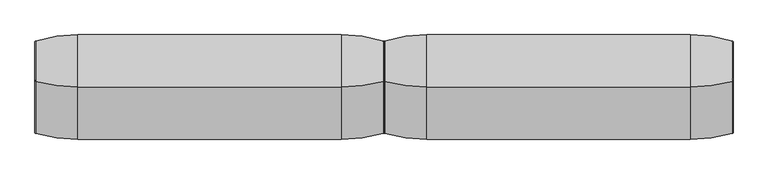
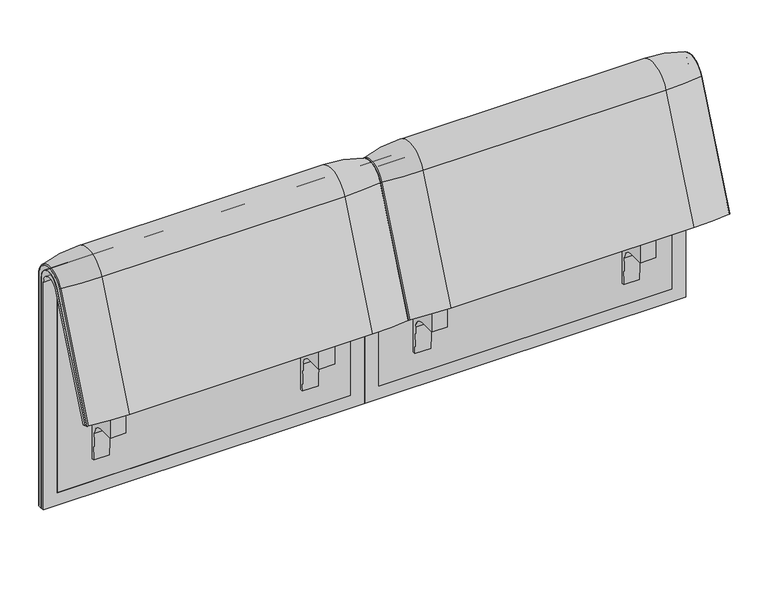
"""IFC4 building model written with IfcOpenShell, lengths in millimetres: furniture geometry."""

from ifc_helpers import new_model, si_unit, point, frame, frame_2d, origin, place, context, project, spatial, polyline, circle_curve, ellipse_curve, trimmed, segment, composite_curve, outline, extrude, source, transform, mapped, element, save
from ifc_brep_helpers import plane_surface, cylinder_surface, revolved_surface, advanced_brep


def furniture_7ffe4b6f(model_context):
    return source(origin(), model_context, "Body", "SolidModel", [
        advanced_brep(
        [(408.0071685, 351.0000061, 101.8476716), (408.0071685, 359.7858817, 101.8476716), (408.0071685, 359.7858817, 720.3417731), (408.0071685, 292.4403877, 733.7122262), (408.0071685, 170.1966807, 437.98305), (408.0071685, 175.0204081, 435.9866665), (408.0071685, 296.2458652, 723.9869215), (408.0071685, 351.0000061, 712.9272623), (-407.9740803, 351.0000061, 101.8476716), (-407.9740803, 351.0000061, 712.9272623), (-407.9740803, 296.2720241, 723.9759107), (-407.9740803, 175.0204081, 435.9866665), (-407.9740803, 170.1966807, 437.98305), (-407.9740803, 292.4403877, 733.7122262), (-407.9740803, 359.7858817, 720.3417731), (-407.9740803, 359.7858817, 101.8476716), (373.0906244, 292.4403877, 733.7122262), (373.0906244, 176.0980387, 452.25948), (-373.0906244, 176.0980387, 452.25948), (-373.0906244, 292.4403877, 733.7122262), (-373.0906244, 296.2458652, 723.9869215), (-373.0906244, 181.0136548, 450.2250668), (373.0906244, 181.0136548, 450.2250668), (373.0906244, 296.2458652, 723.9869215), (373.0906244, 351.0000061, 712.9272623), (373.0906244, 351.0000061, 135.3766997), (-373.0906244, 351.0000061, 135.3766997), (-373.0906244, 351.0000061, 712.9272623), (-373.0906244, 359.7858817, 720.3417731), (-373.0906244, 359.7858817, 135.3766997), (373.0906244, 359.7858817, 135.3766997), (373.0906244, 359.7858817, 720.3417731)],
        [
            (0, 1),
            (1, 2),
            (2, 3, circle_curve(frame((408.0071685, 324.7858817, 720.3417731), z_axis=(1.0, 0.0, 0.0), x_axis=(0.0, -1.0, 0.0)), 35.0)),
            (3, 4),
            (4, 5),
            (5, 6),
            (6, 7, circle_curve(frame((408.0071685, 322.520748, 712.9272623), z_axis=(-1.0, 0.0, 0.0), x_axis=(0.0, -1.0, 0.0)), 28.479258)),
            (7, 0),
            (8, 9),
            (9, 10, circle_curve(frame((-407.9740803, 322.520748, 712.9272623), z_axis=(1.0, 0.0, 0.0), x_axis=(0.0, -1.0, 0.0)), 28.479258)),
            (10, 11),
            (11, 12),
            (12, 13),
            (13, 14, circle_curve(frame((-407.9740803, 324.7858817, 720.3417731), z_axis=(-1.0, 0.0, 0.0), x_axis=(0.0, -1.0, 0.0)), 35.0)),
            (14, 15),
            (15, 8),
            (3, 16),
            (16, 17),
            (17, 18),
            (18, 19),
            (19, 13),
            (12, 4),
            (11, 5),
            (10, 20),
            (20, 21),
            (21, 22),
            (22, 23),
            (23, 6),
            (7, 24),
            (24, 25),
            (25, 26),
            (26, 27),
            (27, 9),
            (8, 0),
            (15, 1),
            (14, 28),
            (28, 29),
            (29, 30),
            (30, 31),
            (31, 2),
            (31, 16, circle_curve(frame((373.0906244, 324.7858817, 720.3417731), z_axis=(1.0, 0.0, 0.0), x_axis=(0.0, -1.0, 0.0)), 35.0)),
            (19, 28, circle_curve(frame((-373.0906244, 324.7858817, 720.3417731), z_axis=(-1.0, 0.0, 0.0), x_axis=(0.0, -1.0, 0.0)), 35.0)),
            (23, 24, circle_curve(frame((373.0906244, 322.520748, 712.9272623), z_axis=(-1.0, 0.0, 0.0), x_axis=(0.0, -1.0, 0.0)), 28.479258)),
            (27, 20, circle_curve(frame((-373.0906244, 322.520748, 712.9272623), z_axis=(1.0, 0.0, 0.0), x_axis=(0.0, -1.0, 0.0)), 28.479258)),
            (22, 17),
            (30, 25),
            (26, 29),
            (18, 21),
        ],
        [
            plane_surface(frame((408.0071685, 359.7858817, 101.8476716), z_axis=(1.0, 0.0, 0.0), x_axis=(0.0, 1.0, 0.0))),
            plane_surface(frame((-407.9740803, 359.7858817, 101.8476716), z_axis=(-1.0, 0.0, 0.0), x_axis=(0.0, -1.0, 0.0))),
            plane_surface(frame((408.0071685, 292.4403877, 733.7122262), z_axis=(0.0, -0.9241569717933176, 0.3820129467515535), x_axis=(-1.0, 0.0, 0.0))),
            plane_surface(frame((408.0071685, 170.1966807, 437.98305), z_axis=(0.0, -0.38241039441983893, -0.9239925812687368), x_axis=(-1.0, 0.0, 0.0))),
            plane_surface(frame((408.0071685, 175.0204081, 435.9866665), z_axis=(0.0, 0.921678643444566, -0.3879542218073993), x_axis=(-1.0, 0.0, 0.0))),
            plane_surface(frame((408.0071685, 351.0000061, 712.9272623), z_axis=(0.0, -1.0, 0.0), x_axis=(-1.0, 0.0, 0.0))),
            plane_surface(frame((408.0071685, 351.0000061, 101.8476716), z_axis=(0.0, 0.0, -1.0), x_axis=(-1.0, 0.0, 0.0))),
            plane_surface(frame((408.0071685, 359.7858817, 101.8476716), z_axis=(0.0, 1.0, 0.0), x_axis=(-1.0, 0.0, 0.0))),
            cylinder_surface(frame((-407.9740803, 324.7858817, 720.3417731), z_axis=(1.0, 0.0, 0.0), x_axis=(0.0, -1.0, 0.0)), 35.0),
            revolved_surface(polyline([(373.09062439999997, 294.04149, 712.9272623), (408.0071685, 294.04149, 712.9272623)]), (-407.9740803, 322.520748, 712.9272623), (-1.0, 0.0, 0.0)),
            revolved_surface(polyline([(-407.9740803, 294.04149, 712.9272623), (-373.0906244, 294.04149, 712.9272623)]), (-407.9740803, 322.520748, 712.9272623), (-1.0, 0.0, 0.0)),
            plane_surface(frame((373.0906244, 359.7858817, 135.3766997), z_axis=(-1.0, 0.0, 0.0), x_axis=(0.0, 1.0, 0.0))),
            plane_surface(frame((-373.0906244, 359.7858817, 135.3766997), z_axis=(1.0, 0.0, 0.0), x_axis=(0.0, -1.0, 0.0))),
            plane_surface(frame((373.0906244, 166.9120641, 456.0612553), z_axis=(0.0, 0.38241039441982605, 0.9239925812687422), x_axis=(-1.0, 0.0, 0.0))),
            plane_surface(frame((373.0906244, 344.7858817, 135.3766997), z_axis=(0.0, 0.0, 1.0), x_axis=(-1.0, 0.0, 0.0))),
        ],
        [
            (0, [[1, 2, 3, 4, 5, 6, 7, 8]]),
            (1, [[9, 10, 11, 12, 13, 14, 15, 16]]),
            (2, [[-4, 17, 18, 19, 20, 21, -13, 22]]),
            (3, [[-5, -22, -12, 23]]),
            (4, [[-6, -23, -11, 24, 25, 26, 27, 28]]),
            (5, [[-8, 29, 30, 31, 32, 33, -9, 34]]),
            (6, [[-1, -34, -16, 35]]),
            (7, [[-2, -35, -15, 36, 37, 38, 39, 40]]),
            (8, [[-3, -40, 41, -17]]),
            (8, [[-14, -21, 42, -36]]),
            (9, [[-7, -28, 43, -29]]),
            (10, [[-10, -33, 44, -24]]),
            (11, [[45, -18, -41, -39, 46, -30, -43, -27]]),
            (12, [[47, -37, -42, -20, 48, -25, -44, -32]]),
            (13, [[-45, -26, -48, -19]]),
            (14, [[-46, -38, -47, -31]]),
        ],
    ),
        advanced_brep(
        [(373.0906244, 351.0000061, 135.3766997), (373.0906244, 359.7858817, 135.3766997), (373.0906244, 359.7858817, 720.3417731), (373.0906244, 292.4403877, 733.7122262), (373.0906244, 176.0980387, 452.25948), (373.0906244, 181.0136548, 450.2250668), (373.0906244, 296.2458652, 723.9869215), (373.0906244, 351.0000061, 712.9272623), (-373.0906244, 351.0000061, 135.3766997), (-373.0906244, 351.0000061, 712.9272623), (-373.0906244, 296.2720241, 723.9759107), (-373.0906244, 181.0136548, 450.2250668), (-373.0906244, 176.0980387, 452.25948), (-373.0906244, 292.4403877, 733.7122262), (-373.0906244, 359.7858817, 720.3417731), (-373.0906244, 359.7858817, 135.3766997)],
        [
            (0, 1),
            (1, 2),
            (2, 3, circle_curve(frame((373.0906244, 324.7858817, 720.3417731), z_axis=(1.0, 0.0, 0.0), x_axis=(0.0, -1.0, 0.0)), 35.0)),
            (3, 4),
            (4, 5),
            (5, 6),
            (6, 7, circle_curve(frame((373.0906244, 322.520748, 712.9272623), z_axis=(-1.0, 0.0, 0.0), x_axis=(0.0, -1.0, 0.0)), 28.479258)),
            (7, 0),
            (8, 9),
            (9, 10, circle_curve(frame((-373.0906244, 322.520748, 712.9272623), z_axis=(1.0, 0.0, 0.0), x_axis=(0.0, -1.0, 0.0)), 28.479258)),
            (10, 11),
            (11, 12),
            (12, 13),
            (13, 14, circle_curve(frame((-373.0906244, 324.7858817, 720.3417731), z_axis=(-1.0, 0.0, 0.0), x_axis=(0.0, -1.0, 0.0)), 35.0)),
            (14, 15),
            (15, 8),
            (3, 13),
            (12, 4),
            (11, 5),
            (10, 6),
            (7, 9),
            (8, 0),
            (15, 1),
            (14, 2),
        ],
        [
            plane_surface(frame((373.0906244, 359.7858817, 135.3766997), z_axis=(1.0, 0.0, 0.0), x_axis=(0.0, 1.0, 0.0))),
            plane_surface(frame((-373.0906244, 359.7858817, 135.3766997), z_axis=(-1.0, 0.0, 0.0), x_axis=(0.0, -1.0, 0.0))),
            plane_surface(frame((373.0906244, 292.4403877, 733.7122262), z_axis=(0.0, -0.9241569717933176, 0.3820129467515535), x_axis=(-1.0, 0.0, 0.0))),
            plane_surface(frame((373.0906244, 176.0980387, 452.25948), z_axis=(0.0, -0.38241039441982716, -0.9239925812687417), x_axis=(-1.0, 0.0, 0.0))),
            plane_surface(frame((373.0906244, 181.0136548, 450.2250668), z_axis=(0.0, 0.921678643444566, -0.3879542218073993), x_axis=(-1.0, 0.0, 0.0))),
            plane_surface(frame((373.0906244, 351.0000061, 712.9272623), z_axis=(0.0, -1.0, 0.0), x_axis=(-1.0, 0.0, 0.0))),
            plane_surface(frame((373.0906244, 351.0000061, 135.3766997), z_axis=(0.0, 0.0, -1.0), x_axis=(-1.0, 0.0, 0.0))),
            plane_surface(frame((373.0906244, 359.7858817, 135.3766997), z_axis=(0.0, 1.0, 0.0), x_axis=(-1.0, 0.0, 0.0))),
            cylinder_surface(frame((-373.0906244, 324.7858817, 720.3417731), z_axis=(1.0, 0.0, 0.0), x_axis=(0.0, -1.0, 0.0)), 35.0),
            revolved_surface(polyline([(-373.0906244, 294.04149, 712.9272623), (373.0906244, 294.04149, 712.9272623)]), (-373.0906244, 322.520748, 712.9272623), (-1.0, 0.0, 0.0)),
        ],
        [
            (0, [[1, 2, 3, 4, 5, 6, 7, 8]]),
            (1, [[9, 10, 11, 12, 13, 14, 15, 16]]),
            (2, [[-4, 17, -13, 18]]),
            (3, [[-5, -18, -12, 19]]),
            (4, [[-6, -19, -11, 20]]),
            (5, [[-8, 21, -9, 22]]),
            (6, [[-1, -22, -16, 23]]),
            (7, [[-2, -23, -15, 24]]),
            (8, [[-3, -24, -14, -17]]),
            (9, [[-7, -20, -10, -21]]),
        ],
    ),
        extrude(outline(composite_curve([segment(trimmed(circle_curve(frame_2d((305.0000061, 379.9223263)), 30.0), [point((305.0000061, 349.9223263))], [point((335.0000061, 379.9223263))], True, "CARTESIAN"), True, "CONTINUOUS"), segment(polyline([(335.0000061, 379.9223263), (335.0000061, 515.0657595)]), True, "CONTINUOUS"), segment(trimmed(circle_curve(frame_2d((305.0000061, 515.0657595)), 30.0), [point((335.0000061, 515.0657595))], [point((316.7219399, 542.6809051))], True, "CARTESIAN"), True, "CONTINUOUS"), segment(polyline([(316.7219399, 542.6809051), (257.4911714, 567.8228747)]), True, "CONTINUOUS"), segment(trimmed(circle_curve(frame_2d((251.6302045, 554.0153019)), 15.0), [point((257.4911714, 567.8228747))], [point((238.0355877, 560.3545758))], True, "CARTESIAN"), True, "CONTINUOUS"), segment(polyline([(238.0355877, 560.3545758), (222.2725218, 526.5505721), (213.7507451, 529.5682915), (296.3054528, 724.0549949)]), True, "CONTINUOUS"), segment(trimmed(circle_curve(frame_2d((322.520748, 712.9272623)), 28.479258), [point((296.3054528, 724.0549949))], [point((351.0000061, 712.9272623))], False, "CARTESIAN"), True, "CONTINUOUS"), segment(polyline([(351.0000061, 712.9272623), (351.0000061, 197.0551771), (343.3075759, 197.0551771), (339.4064861, 271.492405)]), True, "CONTINUOUS"), segment(trimmed(circle_curve(frame_2d((309.4476, 269.9223263)), 30.0), [point((339.4064861, 271.492405))], [point((309.4476, 299.9223263))], True, "CARTESIAN"), True, "CONTINUOUS"), segment(polyline([(309.4476, 299.9223263), (270.0000061, 299.9223263), (270.0000061, 359.9223263), (275.0000061, 359.9223263)]), True, "CONTINUOUS"), segment(trimmed(circle_curve(frame_2d((285.0000061, 359.9223263)), 10.0), [point((275.0000061, 359.9223263))], [point((285.0000061, 349.9223263))], True, "CARTESIAN"), True, "CONTINUOUS"), segment(polyline([(285.0000061, 349.9223263), (305.0000061, 349.9223263)]), True, "CONTINUOUS")], self_intersect=False), holes=[composite_curve([segment(polyline([(337.5000061, 576.3274105), (337.5000061, 716.7072663)]), True, "CONTINUOUS"), segment(trimmed(circle_curve(frame_2d((322.5000061, 716.7072663)), 15.0), [point((337.5000061, 716.7072663))], [point((308.9053893, 723.0465402))], True, "CARTESIAN"), True, "CONTINUOUS"), segment(polyline([(308.9053893, 723.0465402), (253.6256191, 604.4986904)]), True, "CONTINUOUS"), segment(trimmed(circle_curve(frame_2d((271.7517748, 596.0463251)), 20.0), [point((253.6256191, 604.4986904))], [point((265.0756376, 577.1934953))], True, "CARTESIAN"), True, "CONTINUOUS"), segment(polyline([(265.0756376, 577.1934953), (314.1406626, 559.8186587)]), True, "CONTINUOUS"), segment(trimmed(circle_curve(frame_2d((319.9867182, 576.3274105)), 17.5132879), [point((314.1406626, 559.8186587))], [point((337.5000061, 576.3274105))], True, "CARTESIAN"), True, "CONTINUOUS")], self_intersect=False)]), frame((244.9947968, 0.0, 0.0), z_axis=(1.0, 0.0, 0.0), x_axis=(0.0, 1.0, 0.0)), (0.0, 0.0, 1.0), 40.0),
        advanced_brep(
        [(308.0071685, 388.2902376, 100.5089435), (405.86854, 373.93893, 100.5089435), (408.0071685, 371.0652495, 100.5089435), (408.0071685, 359.7858817, 100.5089435), (-408.0071685, 359.7858817, 100.5089435), (-408.0071685, 371.0652495, 100.5089435), (-405.86854, 373.93893, 100.5089435), (-308.0071685, 388.2902376, 100.5089435), (-308.0071685, 388.2902376, 720.3417731), (308.0071685, 388.2902376, 720.3417731), (405.86854, 373.93893, 720.3417731), (408.0071685, 371.0652495, 720.3417731), (408.0071685, 282.0164812, 738.0210907), (408.0071685, 159.7723383, 442.2908598), (408.0071685, 170.1962447, 437.9819952), (408.0071685, 292.4403877, 733.7122262), (408.0071685, 359.7858817, 720.3417731), (-408.0071685, 359.7858817, 720.3417731), (308.0071685, 143.8537454, 448.8710282), (-308.0071685, 143.8537454, 448.8710282), (-405.86854, 157.1166065, 443.3886429), (-408.0071685, 159.7723383, 442.2908598), (-408.0071685, 170.1962447, 437.9819952), (405.86854, 157.1166065, 443.3886429), (308.0071685, 266.0978884, 744.6012592), (-308.0071685, 266.0978884, 744.6012592), (405.86854, 279.3607494, 739.1188739), (-408.0071685, 292.4403877, 733.7122262), (-408.0071685, 282.0164812, 738.0210907), (-408.0071685, 371.0652495, 720.3417731), (-405.86854, 373.93893, 720.3417731), (-405.86854, 279.3607494, 739.1188739)],
        [
            (0, 1, circle_curve(frame((308.0071685, 47.4569043, 100.5089435), z_axis=(0.0, 0.0, -1.0), x_axis=(0.0, -1.0, 0.0)), 340.8333333)),
            (1, 2, circle_curve(frame((405.0071685, 371.0652495, 100.5089435), z_axis=(0.0, 0.0, -1.0), x_axis=(1.0, 0.0, 0.0)), 3.0)),
            (2, 3),
            (3, 4),
            (4, 5),
            (5, 6, circle_curve(frame((-405.0071685, 371.0652495, 100.5089435), z_axis=(0.0, 0.0, -1.0), x_axis=(-1.0, 0.0, 0.0)), 3.0)),
            (6, 7, circle_curve(frame((-308.0071685, 47.4569043, 100.5089435), z_axis=(0.0, 0.0, -1.0), x_axis=(0.0, -1.0, 0.0)), 340.8333333)),
            (7, 0),
            (7, 8),
            (8, 9),
            (9, 0),
            (9, 10, circle_curve(frame((308.0071685, 47.4569043, 720.3417731), z_axis=(0.0, 0.0, -1.0), x_axis=(0.0, -1.0, 0.0)), 340.8333333)),
            (10, 1),
            (10, 11, circle_curve(frame((405.0071685, 371.0652495, 720.3417731), z_axis=(0.0, 0.0, -1.0), x_axis=(1.0, 0.0, 0.0)), 3.0)),
            (11, 2),
            (11, 12, circle_curve(frame((408.0071685, 324.7858817, 720.3417731), z_axis=(1.0, 0.0, 0.0), x_axis=(0.0, 1.0, 0.0)), 46.2793679)),
            (12, 13),
            (13, 14),
            (14, 15),
            (15, 16, circle_curve(frame((408.0071685, 324.7858817, 720.3417731), z_axis=(-1.0, 0.0, 0.0), x_axis=(0.0, 1.0, 0.0)), 35.0)),
            (16, 3),
            (16, 17),
            (17, 4),
            (18, 19),
            (19, 20, circle_curve(frame((-308.0071685, 458.8372467, 318.6682822), z_axis=(0.0, -0.38201294675155345, -0.9241569717933176), x_axis=(0.0, 0.9241569717933176, -0.38201294675155345)), 340.8333333)),
            (20, 21, circle_curve(frame((-405.0071685, 159.7723383, 442.2908598), z_axis=(0.0, -0.38201294675155345, -0.9241569717933176), x_axis=(-1.0, 0.0, 0.0)), 3.0)),
            (21, 22),
            (22, 14),
            (13, 23, circle_curve(frame((405.0071685, 159.7723383, 442.2908598), z_axis=(0.0, -0.38201294675155345, -0.9241569717933176), x_axis=(1.0, 0.0, 0.0)), 3.0)),
            (23, 18, circle_curve(frame((308.0071685, 458.8372467, 318.6682822), z_axis=(0.0, -0.38201294675155345, -0.9241569717933176), x_axis=(0.0, 0.9241569717933176, -0.38201294675155345)), 340.8333333)),
            (24, 9, circle_curve(frame((308.0071685, 324.7858817, 720.3417731), z_axis=(-1.0, 0.0, 0.0), x_axis=(0.0, 1.0, 0.0)), 63.5043559)),
            (8, 25, circle_curve(frame((-308.0071685, 324.7858817, 720.3417731), z_axis=(1.0, 0.0, 0.0), x_axis=(0.0, 1.0, 0.0)), 63.5043559)),
            (25, 24),
            (26, 10, circle_curve(frame((405.86854, 324.7858817, 720.3417731), z_axis=(-1.0, 0.0, 0.0), x_axis=(0.0, 1.0, 0.0)), 49.1530483)),
            (24, 26, circle_curve(frame((308.0071685, 581.0813896, 614.3985132), z_axis=(0.0, 0.382012946751556, 0.9241569717933165), x_axis=(0.0, 0.9241569717933165, -0.382012946751556)), 340.8333333)),
            (26, 12, circle_curve(frame((405.0071685, 282.0164812, 738.0210907), z_axis=(0.0, 0.3820129467515552, 0.9241569717933168), x_axis=(1.0, 0.0, 0.0)), 3.0)),
            (27, 17, circle_curve(frame((-408.0071685, 324.7858817, 720.3417731), z_axis=(-1.0, 0.0, 0.0), x_axis=(0.0, 1.0, 0.0)), 35.0)),
            (15, 27),
            (25, 19),
            (18, 24),
            (23, 26),
            (22, 27),
            (21, 28),
            (28, 29, circle_curve(frame((-408.0071685, 324.7858817, 720.3417731), z_axis=(-1.0, 0.0, 0.0), x_axis=(0.0, 1.0, 0.0)), 46.2793679)),
            (29, 5),
            (29, 30, circle_curve(frame((-405.0071685, 371.0652495, 720.3417731), z_axis=(0.0, 0.0, -1.0), x_axis=(-1.0, 0.0, 0.0)), 3.0)),
            (30, 6),
            (30, 8, circle_curve(frame((-308.0071685, 47.4569043, 720.3417731), z_axis=(0.0, 0.0, -1.0), x_axis=(0.0, -1.0, 0.0)), 340.8333333)),
            (31, 30, circle_curve(frame((-405.86854, 324.7858817, 720.3417731), z_axis=(-1.0, 0.0, 0.0), x_axis=(0.0, 1.0, 0.0)), 49.1530483)),
            (28, 31, circle_curve(frame((-405.0071685, 282.0164812, 738.0210907), z_axis=(0.0, 0.3820129467515544, 0.9241569717933172), x_axis=(-1.0, 0.0, 0.0)), 3.0)),
            (31, 25, circle_curve(frame((-308.0071685, 581.0813896, 614.3985132), z_axis=(0.0, 0.3820129467515532, 0.9241569717933177), x_axis=(0.0, 0.9241569717933177, -0.3820129467515532)), 340.8333333)),
            (20, 31),
        ],
        [
            plane_surface(frame((4.7650232, 359.7858817, 100.5089435), z_axis=(0.0, 0.0, -1.0), x_axis=(1.0, 0.0, 0.0))),
            plane_surface(frame((-308.0071685, 388.2902376, 100.5089435), z_axis=(0.0, 1.0, 0.0), x_axis=(0.0, 0.0, 1.0))),
            cylinder_surface(frame((308.0071685, 47.4569043, 100.5089435), z_axis=(0.0, 0.0, -1.0), x_axis=(0.0, -1.0, 0.0)), 340.8333333),
            cylinder_surface(frame((405.0071685, 371.0652495, 100.5089435), z_axis=(0.0, 0.0, -1.0), x_axis=(1.0, 0.0, 0.0)), 3.0),
            plane_surface(frame((408.0071685, 371.0652495, 100.5089435), z_axis=(1.0, 0.0, 0.0), x_axis=(0.0, 0.0, 1.0))),
            plane_surface(frame((408.0071685, 359.7858817, 100.5089435), z_axis=(0.0, -1.0, 0.0), x_axis=(0.0, 0.0, 1.0))),
            plane_surface(frame((4.7650232, 170.1962447, 437.9819952), z_axis=(0.0, -0.38201294675155345, -0.9241569717933176), x_axis=(1.0, 0.0, 0.0))),
            cylinder_surface(frame((4.7650232, 324.7858817, 720.3417731), z_axis=(1.0, 0.0, 0.0), x_axis=(0.0, 1.0, 0.0)), 63.5043559),
            revolved_surface(trimmed(ellipse_curve(frame((308.0071685, 47.4569043, 720.3417731), z_axis=(0.0, 0.0, -1.0), x_axis=(0.0, -1.0, 0.0)), 340.8333333, 340.8333333), [point((308.0071685, 388.2902376, 720.3417731))], [point((405.86854, 373.93893, 720.3417731))], True, "CARTESIAN"), (4.7650232, 324.7858817, 720.3417731), (1.0, 0.0, 0.0)),
            revolved_surface(trimmed(ellipse_curve(frame((405.0071685, 371.0652495, 720.3417731), z_axis=(0.0, 0.0, -1.0), x_axis=(1.0, 0.0, 0.0)), 3.0, 3.0), [point((405.86854, 373.93893, 720.3417731))], [point((408.0071685, 371.0652495, 720.3417731))], True, "CARTESIAN"), (4.7650232, 324.7858817, 720.3417731), (1.0, 0.0, 0.0)),
            revolved_surface(polyline([(408.0071685, 359.7858817, 720.3417731), (-408.0071685, 359.7858817, 720.3417731)]), (4.7650232, 324.7858817, 720.3417731), (1.0, 0.0, 0.0)),
            plane_surface(frame((-308.0071685, 266.0978884, 744.6012592), z_axis=(0.0, -0.9241569717933176, 0.38201294675155356), x_axis=(0.0, -0.38201294675155356, -0.9241569717933176))),
            cylinder_surface(frame((308.0071685, 581.0813896, 614.3985132), z_axis=(0.0, 0.38201294675155345, 0.9241569717933176), x_axis=(0.0, 0.9241569717933176, -0.38201294675155345)), 340.8333333),
            cylinder_surface(frame((405.0071685, 282.0164812, 738.0210907), z_axis=(0.0, 0.38201294675155345, 0.9241569717933176), x_axis=(1.0, 0.0, 0.0)), 3.0),
            plane_surface(frame((408.0071685, 292.4403877, 733.7122262), z_axis=(0.0, 0.9241569717933176, -0.38201294675155356), x_axis=(0.0, -0.38201294675155356, -0.9241569717933176))),
            plane_surface(frame((-408.0071685, 359.7858817, 100.5089435), z_axis=(-1.0, 0.0, 0.0), x_axis=(0.0, 0.0, 1.0))),
            cylinder_surface(frame((-405.0071685, 371.0652495, 100.5089435), z_axis=(0.0, 0.0, -1.0), x_axis=(-1.0, 0.0, 0.0)), 3.0),
            cylinder_surface(frame((-308.0071685, 47.4569043, 100.5089435), z_axis=(0.0, 0.0, -1.0), x_axis=(0.0, -1.0, 0.0)), 340.8333333),
            revolved_surface(trimmed(ellipse_curve(frame((-405.0071685, 371.0652495, 720.3417731), z_axis=(0.0, 0.0, -1.0), x_axis=(-1.0, 0.0, 0.0)), 3.0, 3.0), [point((-408.0071685, 371.0652495, 720.3417731))], [point((-405.86854, 373.93893, 720.3417731))], True, "CARTESIAN"), (4.7650232, 324.7858817, 720.3417731), (1.0, 0.0, 0.0)),
            revolved_surface(trimmed(ellipse_curve(frame((-308.0071685, 47.4569043, 720.3417731), z_axis=(0.0, 0.0, -1.0), x_axis=(0.0, -1.0, 0.0)), 340.8333333, 340.8333333), [point((-405.86854, 373.93893, 720.3417731))], [point((-308.0071685, 388.2902376, 720.3417731))], True, "CARTESIAN"), (4.7650232, 324.7858817, 720.3417731), (1.0, 0.0, 0.0)),
            cylinder_surface(frame((-405.0071685, 282.0164812, 738.0210907), z_axis=(0.0, 0.38201294675155345, 0.9241569717933176), x_axis=(-1.0, 0.0, 0.0)), 3.0),
            cylinder_surface(frame((-308.0071685, 581.0813896, 614.3985132), z_axis=(0.0, 0.38201294675155345, 0.9241569717933176), x_axis=(0.0, 0.9241569717933176, -0.38201294675155345)), 340.8333333),
        ],
        [
            (0, [[1, 2, 3, 4, 5, 6, 7, 8]]),
            (1, [[-8, 9, 10, 11]]),
            (2, [[-1, -11, 12, 13]]),
            (3, [[-2, -13, 14, 15]]),
            (4, [[-3, -15, 16, 17, 18, 19, 20, 21]]),
            (5, [[-4, -21, 22, 23]]),
            (6, [[24, 25, 26, 27, 28, -18, 29, 30]]),
            (7, [[31, -10, 32, 33]]),
            (8, [[34, -12, -31, 35]]),
            (9, [[-16, -14, -34, 36]]),
            (10, [[37, -22, -20, 38]]),
            (11, [[-33, 39, -24, 40]]),
            (12, [[-35, -40, -30, 41]]),
            (13, [[-36, -41, -29, -17]]),
            (14, [[-38, -19, -28, 42]]),
            (15, [[-5, -23, -37, -42, -27, 43, 44, 45]]),
            (16, [[-6, -45, 46, 47]]),
            (17, [[-7, -47, 48, -9]]),
            (18, [[49, -46, -44, 50]]),
            (19, [[-32, -48, -49, 51]]),
            (20, [[-50, -43, -26, 52]]),
            (21, [[-51, -52, -25, -39]]),
        ],
    ),
        extrude(outline(composite_curve([segment(trimmed(circle_curve(frame_2d((305.0000061, 379.9223263)), 30.0), [point((305.0000061, 349.9223263))], [point((335.0000061, 379.9223263))], True, "CARTESIAN"), True, "CONTINUOUS"), segment(polyline([(335.0000061, 379.9223263), (335.0000061, 515.0657595)]), True, "CONTINUOUS"), segment(trimmed(circle_curve(frame_2d((305.0000061, 515.0657595)), 30.0), [point((335.0000061, 515.0657595))], [point((316.7219399, 542.6809051))], True, "CARTESIAN"), True, "CONTINUOUS"), segment(polyline([(316.7219399, 542.6809051), (257.4911714, 567.8228747)]), True, "CONTINUOUS"), segment(trimmed(circle_curve(frame_2d((251.6302045, 554.0153019)), 15.0), [point((257.4911714, 567.8228747))], [point((238.0355877, 560.3545758))], True, "CARTESIAN"), True, "CONTINUOUS"), segment(polyline([(238.0355877, 560.3545758), (222.2725218, 526.5505721), (213.7507451, 529.5682915), (296.3054528, 724.0549949)]), True, "CONTINUOUS"), segment(trimmed(circle_curve(frame_2d((322.520748, 712.9272623)), 28.479258), [point((296.3054528, 724.0549949))], [point((351.0000061, 712.9272623))], False, "CARTESIAN"), True, "CONTINUOUS"), segment(polyline([(351.0000061, 712.9272623), (351.0000061, 197.0551771), (343.3075759, 197.0551771), (339.4064861, 271.492405)]), True, "CONTINUOUS"), segment(trimmed(circle_curve(frame_2d((309.4476, 269.9223263)), 30.0), [point((339.4064861, 271.492405))], [point((309.4476, 299.9223263))], True, "CARTESIAN"), True, "CONTINUOUS"), segment(polyline([(309.4476, 299.9223263), (270.0000061, 299.9223263), (270.0000061, 359.9223263), (275.0000061, 359.9223263)]), True, "CONTINUOUS"), segment(trimmed(circle_curve(frame_2d((285.0000061, 359.9223263)), 10.0), [point((275.0000061, 359.9223263))], [point((285.0000061, 349.9223263))], True, "CARTESIAN"), True, "CONTINUOUS"), segment(polyline([(285.0000061, 349.9223263), (305.0000061, 349.9223263)]), True, "CONTINUOUS")], self_intersect=False), holes=[composite_curve([segment(polyline([(337.5000061, 576.3274105), (337.5000061, 716.7072663)]), True, "CONTINUOUS"), segment(trimmed(circle_curve(frame_2d((322.5000061, 716.7072663)), 15.0), [point((337.5000061, 716.7072663))], [point((308.9053893, 723.0465402))], True, "CARTESIAN"), True, "CONTINUOUS"), segment(polyline([(308.9053893, 723.0465402), (253.6256191, 604.4986904)]), True, "CONTINUOUS"), segment(trimmed(circle_curve(frame_2d((271.7517748, 596.0463251)), 20.0), [point((253.6256191, 604.4986904))], [point((265.0756376, 577.1934953))], True, "CARTESIAN"), True, "CONTINUOUS"), segment(polyline([(265.0756376, 577.1934953), (314.1406626, 559.8186587)]), True, "CONTINUOUS"), segment(trimmed(circle_curve(frame_2d((319.9867182, 576.3274105)), 17.5132879), [point((314.1406626, 559.8186587))], [point((337.5000061, 576.3274105))], True, "CARTESIAN"), True, "CONTINUOUS")], self_intersect=False)]), frame((-284.9947968, 0.0, 0.0), z_axis=(1.0, 0.0, 0.0), x_axis=(0.0, 1.0, 0.0)), (0.0, 0.0, 1.0), 40.0),
        advanced_brep(
        [(-407.9740803, 351.0000061, 101.8476716), (-407.9740803, 359.7858817, 101.8476716), (-407.9740803, 359.7858817, 720.3417731), (-407.9740803, 292.4403877, 733.7122262), (-407.9740803, 170.1966807, 437.98305), (-407.9740803, 175.0204081, 435.9866665), (-407.9740803, 296.2458652, 723.9869215), (-407.9740803, 351.0000061, 712.9272623), (-1223.9553291, 351.0000061, 101.8476716), (-1223.9553291, 351.0000061, 712.9272623), (-1223.9553291, 296.2720241, 723.9759107), (-1223.9553291, 175.0204081, 435.9866665), (-1223.9553291, 170.1966807, 437.98305), (-1223.9553291, 292.4403877, 733.7122262), (-1223.9553291, 359.7858817, 720.3417731), (-1223.9553291, 359.7858817, 101.8476716), (-442.8906244, 292.4403877, 733.7122262), (-442.8906244, 176.0980387, 452.25948), (-1189.0718733, 176.0980387, 452.25948), (-1189.0718733, 292.4403877, 733.7122262), (-1189.0718733, 296.2458652, 723.9869215), (-1189.0718733, 181.0136548, 450.2250668), (-442.8906244, 181.0136548, 450.2250668), (-442.8906244, 296.2458652, 723.9869215), (-442.8906244, 351.0000061, 712.9272623), (-442.8906244, 351.0000061, 135.3766997), (-1189.0718733, 351.0000061, 135.3766997), (-1189.0718733, 351.0000061, 712.9272623), (-1189.0718733, 359.7858817, 720.3417731), (-1189.0718733, 359.7858817, 135.3766997), (-442.8906244, 359.7858817, 135.3766997), (-442.8906244, 359.7858817, 720.3417731)],
        [
            (0, 1),
            (1, 2),
            (2, 3, circle_curve(frame((-407.9740803, 324.7858817, 720.3417731), z_axis=(1.0, 0.0, 0.0), x_axis=(0.0, -1.0, 0.0)), 35.0)),
            (3, 4),
            (4, 5),
            (5, 6),
            (6, 7, circle_curve(frame((-407.9740803, 322.520748, 712.9272623), z_axis=(-1.0, 0.0, 0.0), x_axis=(0.0, -1.0, 0.0)), 28.479258)),
            (7, 0),
            (8, 9),
            (9, 10, circle_curve(frame((-1223.9553291, 322.520748, 712.9272623), z_axis=(1.0, 0.0, 0.0), x_axis=(0.0, -1.0, 0.0)), 28.479258)),
            (10, 11),
            (11, 12),
            (12, 13),
            (13, 14, circle_curve(frame((-1223.9553291, 324.7858817, 720.3417731), z_axis=(-1.0, 0.0, 0.0), x_axis=(0.0, -1.0, 0.0)), 35.0)),
            (14, 15),
            (15, 8),
            (3, 16),
            (16, 17),
            (17, 18),
            (18, 19),
            (19, 13),
            (12, 4),
            (11, 5),
            (10, 20),
            (20, 21),
            (21, 22),
            (22, 23),
            (23, 6),
            (7, 24),
            (24, 25),
            (25, 26),
            (26, 27),
            (27, 9),
            (8, 0),
            (15, 1),
            (14, 28),
            (28, 29),
            (29, 30),
            (30, 31),
            (31, 2),
            (31, 16, circle_curve(frame((-442.8906244, 324.7858817, 720.3417731), z_axis=(1.0, 0.0, 0.0), x_axis=(0.0, -1.0, 0.0)), 35.0)),
            (19, 28, circle_curve(frame((-1189.0718733, 324.7858817, 720.3417731), z_axis=(-1.0, 0.0, 0.0), x_axis=(0.0, -1.0, 0.0)), 35.0)),
            (23, 24, circle_curve(frame((-442.8906244, 322.520748, 712.9272623), z_axis=(-1.0, 0.0, 0.0), x_axis=(0.0, -1.0, 0.0)), 28.479258)),
            (27, 20, circle_curve(frame((-1189.0718733, 322.520748, 712.9272623), z_axis=(1.0, 0.0, 0.0), x_axis=(0.0, -1.0, 0.0)), 28.479258)),
            (22, 17),
            (30, 25),
            (26, 29),
            (18, 21),
        ],
        [
            plane_surface(frame((-407.9740803, 359.7858817, 101.8476716), z_axis=(1.0, 0.0, 0.0), x_axis=(0.0, 1.0, 0.0))),
            plane_surface(frame((-1223.9553291, 359.7858817, 101.8476716), z_axis=(-1.0, 0.0, 0.0), x_axis=(0.0, -1.0, 0.0))),
            plane_surface(frame((-407.9740803, 292.4403877, 733.7122262), z_axis=(0.0, -0.9241569717933176, 0.3820129467515535), x_axis=(-1.0, 0.0, 0.0))),
            plane_surface(frame((-407.9740803, 170.1966807, 437.98305), z_axis=(0.0, -0.38241039441983893, -0.9239925812687368), x_axis=(-1.0, 0.0, 0.0))),
            plane_surface(frame((-407.9740803, 175.0204081, 435.9866665), z_axis=(0.0, 0.921678643444566, -0.3879542218073993), x_axis=(-1.0, 0.0, 0.0))),
            plane_surface(frame((-407.9740803, 351.0000061, 712.9272623), z_axis=(0.0, -1.0, 0.0), x_axis=(-1.0, 0.0, 0.0))),
            plane_surface(frame((-407.9740803, 351.0000061, 101.8476716), z_axis=(0.0, 0.0, -1.0), x_axis=(-1.0, 0.0, 0.0))),
            plane_surface(frame((-407.9740803, 359.7858817, 101.8476716), z_axis=(0.0, 1.0, 0.0), x_axis=(-1.0, 0.0, 0.0))),
            cylinder_surface(frame((-1223.9553291, 324.7858817, 720.3417731), z_axis=(1.0, 0.0, 0.0), x_axis=(0.0, -1.0, 0.0)), 35.0),
            revolved_surface(polyline([(-442.8906244, 294.04149, 712.9272623), (-407.97408029999997, 294.04149, 712.9272623)]), (-1223.9553291, 322.520748, 712.9272623), (-1.0, 0.0, 0.0)),
            revolved_surface(polyline([(-1223.9553291, 294.04149, 712.9272623), (-1189.0718733, 294.04149, 712.9272623)]), (-1223.9553291, 322.520748, 712.9272623), (-1.0, 0.0, 0.0)),
            plane_surface(frame((-442.8906244, 359.7858817, 135.3766997), z_axis=(-1.0, 0.0, 0.0), x_axis=(0.0, 1.0, 0.0))),
            plane_surface(frame((-1189.0718733, 359.7858817, 135.3766997), z_axis=(1.0, 0.0, 0.0), x_axis=(0.0, -1.0, 0.0))),
            plane_surface(frame((-442.8906244, 166.9120641, 456.0612553), z_axis=(0.0, 0.38241039441982605, 0.9239925812687422), x_axis=(-1.0, 0.0, 0.0))),
            plane_surface(frame((-442.8906244, 344.7858817, 135.3766997), z_axis=(0.0, 0.0, 1.0), x_axis=(-1.0, 0.0, 0.0))),
        ],
        [
            (0, [[1, 2, 3, 4, 5, 6, 7, 8]]),
            (1, [[9, 10, 11, 12, 13, 14, 15, 16]]),
            (2, [[-4, 17, 18, 19, 20, 21, -13, 22]]),
            (3, [[-5, -22, -12, 23]]),
            (4, [[-6, -23, -11, 24, 25, 26, 27, 28]]),
            (5, [[-8, 29, 30, 31, 32, 33, -9, 34]]),
            (6, [[-1, -34, -16, 35]]),
            (7, [[-2, -35, -15, 36, 37, 38, 39, 40]]),
            (8, [[-3, -40, 41, -17]]),
            (8, [[-14, -21, 42, -36]]),
            (9, [[-7, -28, 43, -29]]),
            (10, [[-10, -33, 44, -24]]),
            (11, [[45, -18, -41, -39, 46, -30, -43, -27]]),
            (12, [[47, -37, -42, -20, 48, -25, -44, -32]]),
            (13, [[-45, -26, -48, -19]]),
            (14, [[-46, -38, -47, -31]]),
        ],
    ),
        advanced_brep(
        [(-442.8906244, 351.0000061, 135.3766997), (-442.8906244, 359.7858817, 135.3766997), (-442.8906244, 359.7858817, 720.3417731), (-442.8906244, 292.4403877, 733.7122262), (-442.8906244, 176.0980387, 452.25948), (-442.8906244, 181.0136548, 450.2250668), (-442.8906244, 296.2458652, 723.9869215), (-442.8906244, 351.0000061, 712.9272623), (-1189.0718733, 351.0000061, 135.3766997), (-1189.0718733, 351.0000061, 712.9272623), (-1189.0718733, 296.2720241, 723.9759107), (-1189.0718733, 181.0136548, 450.2250668), (-1189.0718733, 176.0980387, 452.25948), (-1189.0718733, 292.4403877, 733.7122262), (-1189.0718733, 359.7858817, 720.3417731), (-1189.0718733, 359.7858817, 135.3766997)],
        [
            (0, 1),
            (1, 2),
            (2, 3, circle_curve(frame((-442.8906244, 324.7858817, 720.3417731), z_axis=(1.0, 0.0, 0.0), x_axis=(0.0, -1.0, 0.0)), 35.0)),
            (3, 4),
            (4, 5),
            (5, 6),
            (6, 7, circle_curve(frame((-442.8906244, 322.520748, 712.9272623), z_axis=(-1.0, 0.0, 0.0), x_axis=(0.0, -1.0, 0.0)), 28.479258)),
            (7, 0),
            (8, 9),
            (9, 10, circle_curve(frame((-1189.0718733, 322.520748, 712.9272623), z_axis=(1.0, 0.0, 0.0), x_axis=(0.0, -1.0, 0.0)), 28.479258)),
            (10, 11),
            (11, 12),
            (12, 13),
            (13, 14, circle_curve(frame((-1189.0718733, 324.7858817, 720.3417731), z_axis=(-1.0, 0.0, 0.0), x_axis=(0.0, -1.0, 0.0)), 35.0)),
            (14, 15),
            (15, 8),
            (3, 13),
            (12, 4),
            (11, 5),
            (10, 6),
            (7, 9),
            (8, 0),
            (15, 1),
            (14, 2),
        ],
        [
            plane_surface(frame((-442.8906244, 359.7858817, 135.3766997), z_axis=(1.0, 0.0, 0.0), x_axis=(0.0, 1.0, 0.0))),
            plane_surface(frame((-1189.0718733, 359.7858817, 135.3766997), z_axis=(-1.0, 0.0, 0.0), x_axis=(0.0, -1.0, 0.0))),
            plane_surface(frame((-442.8906244, 292.4403877, 733.7122262), z_axis=(0.0, -0.9241569717933176, 0.3820129467515535), x_axis=(-1.0, 0.0, 0.0))),
            plane_surface(frame((-442.8906244, 176.0980387, 452.25948), z_axis=(0.0, -0.38241039441982716, -0.9239925812687417), x_axis=(-1.0, 0.0, 0.0))),
            plane_surface(frame((-442.8906244, 181.0136548, 450.2250668), z_axis=(0.0, 0.921678643444566, -0.3879542218073993), x_axis=(-1.0, 0.0, 0.0))),
            plane_surface(frame((-442.8906244, 351.0000061, 712.9272623), z_axis=(0.0, -1.0, 0.0), x_axis=(-1.0, 0.0, 0.0))),
            plane_surface(frame((-442.8906244, 351.0000061, 135.3766997), z_axis=(0.0, 0.0, -1.0), x_axis=(-1.0, 0.0, 0.0))),
            plane_surface(frame((-442.8906244, 359.7858817, 135.3766997), z_axis=(0.0, 1.0, 0.0), x_axis=(-1.0, 0.0, 0.0))),
            cylinder_surface(frame((-1189.0718733, 324.7858817, 720.3417731), z_axis=(1.0, 0.0, 0.0), x_axis=(0.0, -1.0, 0.0)), 35.0),
            revolved_surface(polyline([(-1189.0718733, 294.04149, 712.9272623), (-442.8906244, 294.04149, 712.9272623)]), (-1189.0718733, 322.520748, 712.9272623), (-1.0, 0.0, 0.0)),
        ],
        [
            (0, [[1, 2, 3, 4, 5, 6, 7, 8]]),
            (1, [[9, 10, 11, 12, 13, 14, 15, 16]]),
            (2, [[-4, 17, -13, 18]]),
            (3, [[-5, -18, -12, 19]]),
            (4, [[-6, -19, -11, 20]]),
            (5, [[-8, 21, -9, 22]]),
            (6, [[-1, -22, -16, 23]]),
            (7, [[-2, -23, -15, 24]]),
            (8, [[-3, -24, -14, -17]]),
            (9, [[-7, -20, -10, -21]]),
        ],
    ),
        extrude(outline(composite_curve([segment(trimmed(circle_curve(frame_2d((305.0000061, 379.9223263)), 30.0), [point((305.0000061, 349.9223263))], [point((335.0000061, 379.9223263))], True, "CARTESIAN"), True, "CONTINUOUS"), segment(polyline([(335.0000061, 379.9223263), (335.0000061, 515.0657595)]), True, "CONTINUOUS"), segment(trimmed(circle_curve(frame_2d((305.0000061, 515.0657595)), 30.0), [point((335.0000061, 515.0657595))], [point((316.7219399, 542.6809051))], True, "CARTESIAN"), True, "CONTINUOUS"), segment(polyline([(316.7219399, 542.6809051), (257.4911714, 567.8228747)]), True, "CONTINUOUS"), segment(trimmed(circle_curve(frame_2d((251.6302045, 554.0153019)), 15.0), [point((257.4911714, 567.8228747))], [point((238.0355877, 560.3545758))], True, "CARTESIAN"), True, "CONTINUOUS"), segment(polyline([(238.0355877, 560.3545758), (222.2725218, 526.5505721), (213.7507451, 529.5682915), (296.3054528, 724.0549949)]), True, "CONTINUOUS"), segment(trimmed(circle_curve(frame_2d((322.520748, 712.9272623)), 28.479258), [point((296.3054528, 724.0549949))], [point((351.0000061, 712.9272623))], False, "CARTESIAN"), True, "CONTINUOUS"), segment(polyline([(351.0000061, 712.9272623), (351.0000061, 197.0551771), (343.3075759, 197.0551771), (339.4064861, 271.492405)]), True, "CONTINUOUS"), segment(trimmed(circle_curve(frame_2d((309.4476, 269.9223263)), 30.0), [point((339.4064861, 271.492405))], [point((309.4476, 299.9223263))], True, "CARTESIAN"), True, "CONTINUOUS"), segment(polyline([(309.4476, 299.9223263), (270.0000061, 299.9223263), (270.0000061, 359.9223263), (275.0000061, 359.9223263)]), True, "CONTINUOUS"), segment(trimmed(circle_curve(frame_2d((285.0000061, 359.9223263)), 10.0), [point((275.0000061, 359.9223263))], [point((285.0000061, 349.9223263))], True, "CARTESIAN"), True, "CONTINUOUS"), segment(polyline([(285.0000061, 349.9223263), (305.0000061, 349.9223263)]), True, "CONTINUOUS")], self_intersect=False), holes=[composite_curve([segment(polyline([(337.5000061, 576.3274105), (337.5000061, 716.7072663)]), True, "CONTINUOUS"), segment(trimmed(circle_curve(frame_2d((322.5000061, 716.7072663)), 15.0), [point((337.5000061, 716.7072663))], [point((308.9053893, 723.0465402))], True, "CARTESIAN"), True, "CONTINUOUS"), segment(polyline([(308.9053893, 723.0465402), (253.6256191, 604.4986904)]), True, "CONTINUOUS"), segment(trimmed(circle_curve(frame_2d((271.7517748, 596.0463251)), 20.0), [point((253.6256191, 604.4986904))], [point((265.0756376, 577.1934953))], True, "CARTESIAN"), True, "CONTINUOUS"), segment(polyline([(265.0756376, 577.1934953), (314.1406626, 559.8186587)]), True, "CONTINUOUS"), segment(trimmed(circle_curve(frame_2d((319.9867182, 576.3274105)), 17.5132879), [point((314.1406626, 559.8186587))], [point((337.5000061, 576.3274105))], True, "CARTESIAN"), True, "CONTINUOUS")], self_intersect=False)]), frame((-570.986452, 0.0, 0.0), z_axis=(1.0, 0.0, 0.0), x_axis=(0.0, 1.0, 0.0)), (0.0, 0.0, 1.0), 40.0),
        advanced_brep(
        [(-507.9740803, 388.2902376, 100.5089435), (-410.1127088, 373.93893, 100.5089435), (-407.9740803, 371.0652495, 100.5089435), (-407.9740803, 359.7858817, 100.5089435), (-1223.9884174, 359.7858817, 100.5089435), (-1223.9884174, 371.0652495, 100.5089435), (-1221.8497889, 373.93893, 100.5089435), (-1123.9884174, 388.2902376, 100.5089435), (-1123.9884174, 388.2902376, 720.3417731), (-507.9740803, 388.2902376, 720.3417731), (-410.1127088, 373.93893, 720.3417731), (-407.9740803, 371.0652495, 720.3417731), (-407.9740803, 282.0164812, 738.0210907), (-407.9740803, 159.7723383, 442.2908598), (-407.9740803, 170.1962447, 437.9819952), (-407.9740803, 292.4403877, 733.7122262), (-407.9740803, 359.7858817, 720.3417731), (-1223.9884174, 359.7858817, 720.3417731), (-507.9740803, 143.8537454, 448.8710282), (-1123.9884174, 143.8537454, 448.8710282), (-1221.8497889, 157.1166065, 443.3886429), (-1223.9884174, 159.7723383, 442.2908598), (-1223.9884174, 170.1962447, 437.9819952), (-410.1127088, 157.1166065, 443.3886429), (-507.9740803, 266.0978884, 744.6012592), (-1123.9884174, 266.0978884, 744.6012592), (-410.1127088, 279.3607494, 739.1188739), (-1223.9884174, 292.4403877, 733.7122262), (-1223.9884174, 282.0164812, 738.0210907), (-1223.9884174, 371.0652495, 720.3417731), (-1221.8497889, 373.93893, 720.3417731), (-1221.8497889, 279.3607494, 739.1188739)],
        [
            (0, 1, circle_curve(frame((-507.9740803, 47.4569043, 100.5089435), z_axis=(0.0, 0.0, -1.0), x_axis=(0.0, -1.0, 0.0)), 340.8333333)),
            (1, 2, circle_curve(frame((-410.9740803, 371.0652495, 100.5089435), z_axis=(0.0, 0.0, -1.0), x_axis=(1.0, 0.0, 0.0)), 3.0)),
            (2, 3),
            (3, 4),
            (4, 5),
            (5, 6, circle_curve(frame((-1220.9884174, 371.0652495, 100.5089435), z_axis=(0.0, 0.0, -1.0), x_axis=(-1.0, 0.0, 0.0)), 3.0)),
            (6, 7, circle_curve(frame((-1123.9884174, 47.4569043, 100.5089435), z_axis=(0.0, 0.0, -1.0), x_axis=(0.0, -1.0, 0.0)), 340.8333333)),
            (7, 0),
            (7, 8),
            (8, 9),
            (9, 0),
            (9, 10, circle_curve(frame((-507.9740803, 47.4569043, 720.3417731), z_axis=(0.0, 0.0, -1.0), x_axis=(0.0, -1.0, 0.0)), 340.8333333)),
            (10, 1),
            (10, 11, circle_curve(frame((-410.9740803, 371.0652495, 720.3417731), z_axis=(0.0, 0.0, -1.0), x_axis=(1.0, 0.0, 0.0)), 3.0)),
            (11, 2),
            (11, 12, circle_curve(frame((-407.9740803, 324.7858817, 720.3417731), z_axis=(1.0, 0.0, 0.0), x_axis=(0.0, 1.0, 0.0)), 46.2793679)),
            (12, 13),
            (13, 14),
            (14, 15),
            (15, 16, circle_curve(frame((-407.9740803, 324.7858817, 720.3417731), z_axis=(-1.0, 0.0, 0.0), x_axis=(0.0, 1.0, 0.0)), 35.0)),
            (16, 3),
            (16, 17),
            (17, 4),
            (18, 19),
            (19, 20, circle_curve(frame((-1123.9884174, 458.8372467, 318.6682822), z_axis=(0.0, -0.38201294675155345, -0.9241569717933176), x_axis=(0.0, 0.9241569717933176, -0.38201294675155345)), 340.8333333)),
            (20, 21, circle_curve(frame((-1220.9884174, 159.7723383, 442.2908598), z_axis=(0.0, -0.38201294675155345, -0.9241569717933176), x_axis=(-1.0, 0.0, 0.0)), 3.0)),
            (21, 22),
            (22, 14),
            (13, 23, circle_curve(frame((-410.9740803, 159.7723383, 442.2908598), z_axis=(0.0, -0.38201294675155345, -0.9241569717933176), x_axis=(1.0, 0.0, 0.0)), 3.0)),
            (23, 18, circle_curve(frame((-507.9740803, 458.8372467, 318.6682822), z_axis=(0.0, -0.38201294675155345, -0.9241569717933176), x_axis=(0.0, 0.9241569717933176, -0.38201294675155345)), 340.8333333)),
            (24, 9, circle_curve(frame((-507.9740803, 324.7858817, 720.3417731), z_axis=(-1.0, 0.0, 0.0), x_axis=(0.0, 1.0, 0.0)), 63.5043559)),
            (8, 25, circle_curve(frame((-1123.9884174, 324.7858817, 720.3417731), z_axis=(1.0, 0.0, 0.0), x_axis=(0.0, 1.0, 0.0)), 63.5043559)),
            (25, 24),
            (26, 10, circle_curve(frame((-410.1127088, 324.7858817, 720.3417731), z_axis=(-1.0, 0.0, 0.0), x_axis=(0.0, 1.0, 0.0)), 49.1530483)),
            (24, 26, circle_curve(frame((-507.9740803, 581.0813896, 614.3985132), z_axis=(0.0, 0.382012946751556, 0.9241569717933165), x_axis=(0.0, 0.9241569717933165, -0.382012946751556)), 340.8333333)),
            (26, 12, circle_curve(frame((-410.9740803, 282.0164812, 738.0210907), z_axis=(0.0, 0.3820129467515552, 0.9241569717933168), x_axis=(1.0, 0.0, 0.0)), 3.0)),
            (27, 17, circle_curve(frame((-1223.9884174, 324.7858817, 720.3417731), z_axis=(-1.0, 0.0, 0.0), x_axis=(0.0, 1.0, 0.0)), 35.0)),
            (15, 27),
            (25, 19),
            (18, 24),
            (23, 26),
            (22, 27),
            (21, 28),
            (28, 29, circle_curve(frame((-1223.9884174, 324.7858817, 720.3417731), z_axis=(-1.0, 0.0, 0.0), x_axis=(0.0, 1.0, 0.0)), 46.2793679)),
            (29, 5),
            (29, 30, circle_curve(frame((-1220.9884174, 371.0652495, 720.3417731), z_axis=(0.0, 0.0, -1.0), x_axis=(-1.0, 0.0, 0.0)), 3.0)),
            (30, 6),
            (30, 8, circle_curve(frame((-1123.9884174, 47.4569043, 720.3417731), z_axis=(0.0, 0.0, -1.0), x_axis=(0.0, -1.0, 0.0)), 340.8333333)),
            (31, 30, circle_curve(frame((-1221.8497889, 324.7858817, 720.3417731), z_axis=(-1.0, 0.0, 0.0), x_axis=(0.0, 1.0, 0.0)), 49.1530483)),
            (28, 31, circle_curve(frame((-1220.9884174, 282.0164812, 738.0210907), z_axis=(0.0, 0.3820129467515544, 0.9241569717933172), x_axis=(-1.0, 0.0, 0.0)), 3.0)),
            (31, 25, circle_curve(frame((-1123.9884174, 581.0813896, 614.3985132), z_axis=(0.0, 0.3820129467515532, 0.9241569717933177), x_axis=(0.0, 0.9241569717933177, -0.3820129467515532)), 340.8333333)),
            (20, 31),
        ],
        [
            plane_surface(frame((-811.2162256, 359.7858817, 100.5089435), z_axis=(0.0, 0.0, -1.0), x_axis=(1.0, 0.0, 0.0))),
            plane_surface(frame((-1123.9884174, 388.2902376, 100.5089435), z_axis=(0.0, 1.0, 0.0), x_axis=(0.0, 0.0, 1.0))),
            cylinder_surface(frame((-507.9740803, 47.4569043, 100.5089435), z_axis=(0.0, 0.0, -1.0), x_axis=(0.0, -1.0, 0.0)), 340.8333333),
            cylinder_surface(frame((-410.9740803, 371.0652495, 100.5089435), z_axis=(0.0, 0.0, -1.0), x_axis=(1.0, 0.0, 0.0)), 3.0),
            plane_surface(frame((-407.9740803, 371.0652495, 100.5089435), z_axis=(1.0, 0.0, 0.0), x_axis=(0.0, 0.0, 1.0))),
            plane_surface(frame((-407.9740803, 359.7858817, 100.5089435), z_axis=(0.0, -1.0, 0.0), x_axis=(0.0, 0.0, 1.0))),
            plane_surface(frame((-811.2162256, 170.1962447, 437.9819952), z_axis=(0.0, -0.38201294675155345, -0.9241569717933176), x_axis=(1.0, 0.0, 0.0))),
            cylinder_surface(frame((-811.2162256, 324.7858817, 720.3417731), z_axis=(1.0, 0.0, 0.0), x_axis=(0.0, 1.0, 0.0)), 63.5043559),
            revolved_surface(trimmed(ellipse_curve(frame((-507.9740803, 47.4569043, 720.3417731), z_axis=(0.0, 0.0, -1.0), x_axis=(0.0, -1.0, 0.0)), 340.8333333, 340.8333333), [point((-507.9740803, 388.2902376, 720.3417731))], [point((-410.1127088, 373.93893, 720.3417731))], True, "CARTESIAN"), (-811.2162256, 324.7858817, 720.3417731), (1.0, 0.0, 0.0)),
            revolved_surface(trimmed(ellipse_curve(frame((-410.9740803, 371.0652495, 720.3417731), z_axis=(0.0, 0.0, -1.0), x_axis=(1.0, 0.0, 0.0)), 3.0, 3.0), [point((-410.1127088, 373.93893, 720.3417731))], [point((-407.9740803, 371.0652495, 720.3417731))], True, "CARTESIAN"), (-811.2162256, 324.7858817, 720.3417731), (1.0, 0.0, 0.0)),
            revolved_surface(polyline([(-407.9740803, 359.7858817, 720.3417731), (-1223.9884174, 359.7858817, 720.3417731)]), (-811.2162256, 324.7858817, 720.3417731), (1.0, 0.0, 0.0)),
            plane_surface(frame((-1123.9884174, 266.0978884, 744.6012592), z_axis=(0.0, -0.9241569717933176, 0.38201294675155356), x_axis=(0.0, -0.38201294675155356, -0.9241569717933176))),
            cylinder_surface(frame((-507.9740803, 581.0813896, 614.3985132), z_axis=(0.0, 0.38201294675155345, 0.9241569717933176), x_axis=(0.0, 0.9241569717933176, -0.38201294675155345)), 340.8333333),
            cylinder_surface(frame((-410.9740803, 282.0164812, 738.0210907), z_axis=(0.0, 0.38201294675155345, 0.9241569717933176), x_axis=(1.0, 0.0, 0.0)), 3.0),
            plane_surface(frame((-407.9740803, 292.4403877, 733.7122262), z_axis=(0.0, 0.9241569717933176, -0.38201294675155356), x_axis=(0.0, -0.38201294675155356, -0.9241569717933176))),
            plane_surface(frame((-1223.9884174, 359.7858817, 100.5089435), z_axis=(-1.0, 0.0, 0.0), x_axis=(0.0, 0.0, 1.0))),
            cylinder_surface(frame((-1220.9884174, 371.0652495, 100.5089435), z_axis=(0.0, 0.0, -1.0), x_axis=(-1.0, 0.0, 0.0)), 3.0),
            cylinder_surface(frame((-1123.9884174, 47.4569043, 100.5089435), z_axis=(0.0, 0.0, -1.0), x_axis=(0.0, -1.0, 0.0)), 340.8333333),
            revolved_surface(trimmed(ellipse_curve(frame((-1220.9884174, 371.0652495, 720.3417731), z_axis=(0.0, 0.0, -1.0), x_axis=(-1.0, 0.0, 0.0)), 3.0, 3.0), [point((-1223.9884174, 371.0652495, 720.3417731))], [point((-1221.8497889, 373.93893, 720.3417731))], True, "CARTESIAN"), (-811.2162256, 324.7858817, 720.3417731), (1.0, 0.0, 0.0)),
            revolved_surface(trimmed(ellipse_curve(frame((-1123.9884174, 47.4569043, 720.3417731), z_axis=(0.0, 0.0, -1.0), x_axis=(0.0, -1.0, 0.0)), 340.8333333, 340.8333333), [point((-1221.8497889, 373.93893, 720.3417731))], [point((-1123.9884174, 388.2902376, 720.3417731))], True, "CARTESIAN"), (-811.2162256, 324.7858817, 720.3417731), (1.0, 0.0, 0.0)),
            cylinder_surface(frame((-1220.9884174, 282.0164812, 738.0210907), z_axis=(0.0, 0.38201294675155345, 0.9241569717933176), x_axis=(-1.0, 0.0, 0.0)), 3.0),
            cylinder_surface(frame((-1123.9884174, 581.0813896, 614.3985132), z_axis=(0.0, 0.38201294675155345, 0.9241569717933176), x_axis=(0.0, 0.9241569717933176, -0.38201294675155345)), 340.8333333),
        ],
        [
            (0, [[1, 2, 3, 4, 5, 6, 7, 8]]),
            (1, [[-8, 9, 10, 11]]),
            (2, [[-1, -11, 12, 13]]),
            (3, [[-2, -13, 14, 15]]),
            (4, [[-3, -15, 16, 17, 18, 19, 20, 21]]),
            (5, [[-4, -21, 22, 23]]),
            (6, [[24, 25, 26, 27, 28, -18, 29, 30]]),
            (7, [[31, -10, 32, 33]]),
            (8, [[34, -12, -31, 35]]),
            (9, [[-16, -14, -34, 36]]),
            (10, [[37, -22, -20, 38]]),
            (11, [[-33, 39, -24, 40]]),
            (12, [[-35, -40, -30, 41]]),
            (13, [[-36, -41, -29, -17]]),
            (14, [[-38, -19, -28, 42]]),
            (15, [[-5, -23, -37, -42, -27, 43, 44, 45]]),
            (16, [[-6, -45, 46, 47]]),
            (17, [[-7, -47, 48, -9]]),
            (18, [[49, -46, -44, 50]]),
            (19, [[-32, -48, -49, 51]]),
            (20, [[-50, -43, -26, 52]]),
            (21, [[-51, -52, -25, -39]]),
        ],
    ),
        extrude(outline(composite_curve([segment(trimmed(circle_curve(frame_2d((305.0000061, 379.9223263)), 30.0), [point((305.0000061, 349.9223263))], [point((335.0000061, 379.9223263))], True, "CARTESIAN"), True, "CONTINUOUS"), segment(polyline([(335.0000061, 379.9223263), (335.0000061, 515.0657595)]), True, "CONTINUOUS"), segment(trimmed(circle_curve(frame_2d((305.0000061, 515.0657595)), 30.0), [point((335.0000061, 515.0657595))], [point((316.7219399, 542.6809051))], True, "CARTESIAN"), True, "CONTINUOUS"), segment(polyline([(316.7219399, 542.6809051), (257.4911714, 567.8228747)]), True, "CONTINUOUS"), segment(trimmed(circle_curve(frame_2d((251.6302045, 554.0153019)), 15.0), [point((257.4911714, 567.8228747))], [point((238.0355877, 560.3545758))], True, "CARTESIAN"), True, "CONTINUOUS"), segment(polyline([(238.0355877, 560.3545758), (222.2725218, 526.5505721), (213.7507451, 529.5682915), (296.3054528, 724.0549949)]), True, "CONTINUOUS"), segment(trimmed(circle_curve(frame_2d((322.520748, 712.9272623)), 28.479258), [point((296.3054528, 724.0549949))], [point((351.0000061, 712.9272623))], False, "CARTESIAN"), True, "CONTINUOUS"), segment(polyline([(351.0000061, 712.9272623), (351.0000061, 197.0551771), (343.3075759, 197.0551771), (339.4064861, 271.492405)]), True, "CONTINUOUS"), segment(trimmed(circle_curve(frame_2d((309.4476, 269.9223263)), 30.0), [point((339.4064861, 271.492405))], [point((309.4476, 299.9223263))], True, "CARTESIAN"), True, "CONTINUOUS"), segment(polyline([(309.4476, 299.9223263), (270.0000061, 299.9223263), (270.0000061, 359.9223263), (275.0000061, 359.9223263)]), True, "CONTINUOUS"), segment(trimmed(circle_curve(frame_2d((285.0000061, 359.9223263)), 10.0), [point((275.0000061, 359.9223263))], [point((285.0000061, 349.9223263))], True, "CARTESIAN"), True, "CONTINUOUS"), segment(polyline([(285.0000061, 349.9223263), (305.0000061, 349.9223263)]), True, "CONTINUOUS")], self_intersect=False), holes=[composite_curve([segment(polyline([(337.5000061, 576.3274105), (337.5000061, 716.7072663)]), True, "CONTINUOUS"), segment(trimmed(circle_curve(frame_2d((322.5000061, 716.7072663)), 15.0), [point((337.5000061, 716.7072663))], [point((308.9053893, 723.0465402))], True, "CARTESIAN"), True, "CONTINUOUS"), segment(polyline([(308.9053893, 723.0465402), (253.6256191, 604.4986904)]), True, "CONTINUOUS"), segment(trimmed(circle_curve(frame_2d((271.7517748, 596.0463251)), 20.0), [point((253.6256191, 604.4986904))], [point((265.0756376, 577.1934953))], True, "CARTESIAN"), True, "CONTINUOUS"), segment(polyline([(265.0756376, 577.1934953), (314.1406626, 559.8186587)]), True, "CONTINUOUS"), segment(trimmed(circle_curve(frame_2d((319.9867182, 576.3274105)), 17.5132879), [point((314.1406626, 559.8186587))], [point((337.5000061, 576.3274105))], True, "CARTESIAN"), True, "CONTINUOUS")], self_intersect=False)]), frame((-1100.9760457, 0.0, 0.0), z_axis=(1.0, 0.0, 0.0), x_axis=(0.0, 1.0, 0.0)), (0.0, 0.0, 1.0), 40.0),
    ])


if __name__ == "__main__":
    model = new_model("IFC4")
    model_context = context("Model", 3, world=origin())
    ifc_project = project(units=[si_unit("LENGTHUNIT", "METRE", prefix="MILLI")], contexts=[model_context])
    site = spatial("IfcSite", under=ifc_project)
    building = spatial("IfcBuilding", under=site)
    placement = place(None, origin())
    furniture_shape = furniture_7ffe4b6f(model_context)
    element("IfcFurniture", 1, at=placement, inside=building, context=model_context, shape_type="MappedRepresentation", body=[
        mapped(furniture_shape, transform((0.0, 0.0, 0.0), x_axis=(1.0, 0.0, 0.0), y_axis=(0.0, 1.0, 0.0), z_axis=(0.0, 0.0, 1.0))),
    ])
    save(model, "model.ifc")
